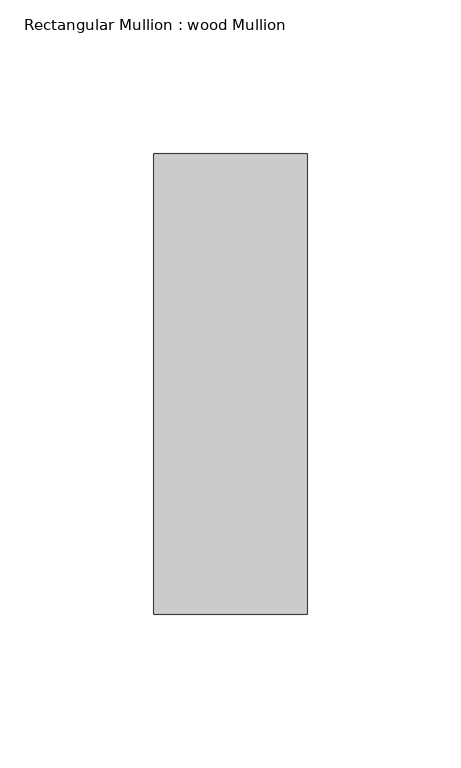
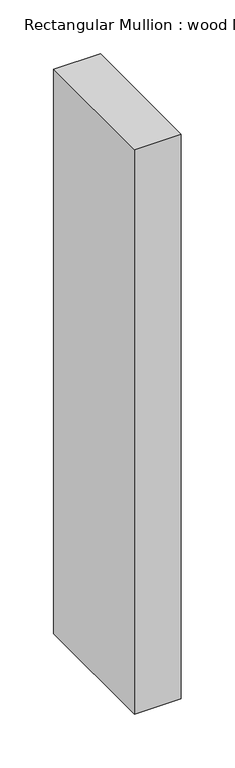
"""IFC4 building model written with IfcOpenShell, lengths in millimetres: member geometry, Rectangular Mullion : wood Mullion."""

from ifc_helpers import new_model, si_unit, frame, origin, place, context, project, spatial, polyline, outline, extrude, source, transform, mapped, element, save


def rectangular_mullion_wood_mullion_52cf683d(model_context):
    return source(origin(), model_context, "Body", "SweptSolid", [
        extrude(outline(polyline([(25.0, 75.0), (25.0, -75.0), (-25.0, -75.0), (-25.0, 75.0), (25.0, 75.0)])), frame((0.0, 0.0, -639.6636297), z_axis=(0.0, 0.0, 1.0), x_axis=(1.0, 0.0, 0.0)), (0.0, 0.0, 1.0), 639.6636297),
    ])


if __name__ == "__main__":
    model = new_model("IFC4")
    model_context = context("Model", 3, world=origin())
    ifc_project = project(units=[si_unit("LENGTHUNIT", "METRE", prefix="MILLI")], contexts=[model_context])
    site = spatial("IfcSite", under=ifc_project)
    building = spatial("IfcBuilding", under=site)
    placement = place(None, origin())
    rectangular_mullion_wood_mullion_shape = rectangular_mullion_wood_mullion_52cf683d(model_context)
    element("IfcMember", 1, ObjectType="Rectangular Mullion : wood Mullion", at=placement, inside=building, context=model_context, shape_type="MappedRepresentation", body=[
        mapped(rectangular_mullion_wood_mullion_shape, transform((0.0, 0.0, 0.0), x_axis=(1.0, 0.0, 0.0), y_axis=(0.0, 1.0, 0.0), z_axis=(0.0, 0.0, 1.0))),
    ])
    save(model, "model.ifc")
